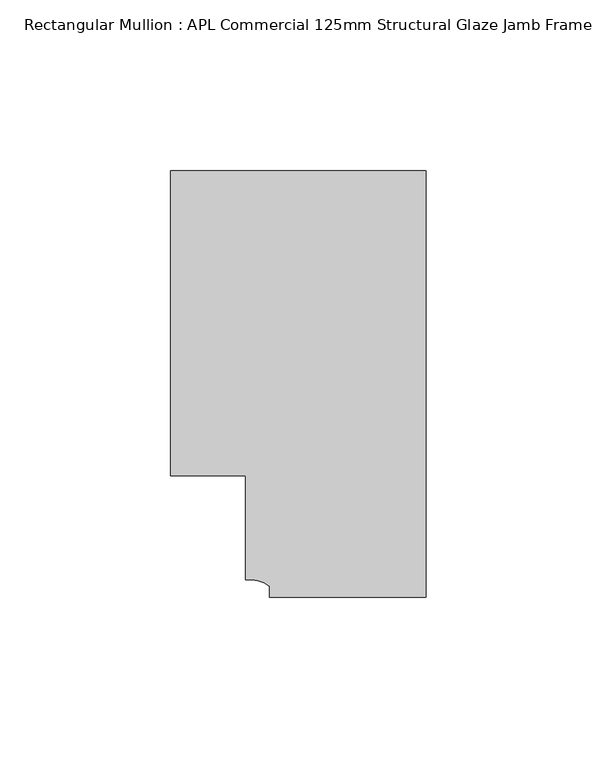
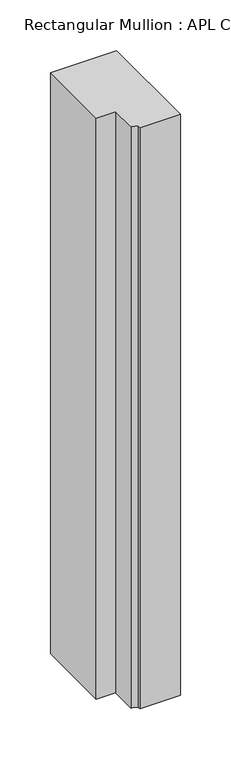
"""IFC4 building model written with IfcOpenShell, lengths in millimetres: member geometry, Rectangular Mullion : APL Commercial 125mm Structural Glaze Jamb Frame (left)."""

from ifc_helpers import new_model, si_unit, point, frame, frame_2d, origin, place, context, project, spatial, polyline, circle_curve, trimmed, segment, composite_curve, outline, extrude, source, transform, mapped, element, save


def rectangular_mullion_apl_commercial_125mm_structural_glaze_5d5ab704(model_context):
    return source(origin(), model_context, "Body", "SweptSolid", [
        extrude(outline(composite_curve([segment(polyline([(0.0, -20.5), (-45.9999842, -20.5), (-45.9999842, -17.3125325)]), True, "CONTINUOUS"), segment(trimmed(circle_curve(frame_2d((-52.1098019, -25.7981812)), 10.4563907), [point((-45.9999842, -17.3125325))], [point((-52.9999391, -15.3797475))], True, "CARTESIAN"), True, "CONTINUOUS"), segment(polyline([(-52.9999391, -15.3797475), (-52.9999391, 15.0000829), (-75.0, 15.0000829), (-75.0, 104.5), (0.0, 104.5), (0.0, -20.5)]), True, "CONTINUOUS")], self_intersect=False)), frame((0.0, 0.0, -697.0382346), z_axis=(0.0, 0.0, 1.0), x_axis=(1.0, 0.0, 0.0)), (0.0, 0.0, 1.0), 697.0382346),
    ])


if __name__ == "__main__":
    model = new_model("IFC4")
    model_context = context("Model", 3, world=origin())
    ifc_project = project(units=[si_unit("LENGTHUNIT", "METRE", prefix="MILLI")], contexts=[model_context])
    site = spatial("IfcSite", under=ifc_project)
    building = spatial("IfcBuilding", under=site)
    placement = place(None, origin())
    rectangular_mullion_apl_commercial_125mm_structural_glaze_shape = rectangular_mullion_apl_commercial_125mm_structural_glaze_5d5ab704(model_context)
    element("IfcMember", 1, ObjectType="Rectangular Mullion : APL Commercial 125mm Structural Glaze Jamb Frame (left)", at=placement, inside=building, context=model_context, shape_type="MappedRepresentation", body=[
        mapped(rectangular_mullion_apl_commercial_125mm_structural_glaze_shape, transform((0.0, 0.0, 0.0), x_axis=(1.0, 0.0, 0.0), y_axis=(0.0, 1.0, 0.0), z_axis=(0.0, 0.0, 1.0))),
    ])
    save(model, "model.ifc")
